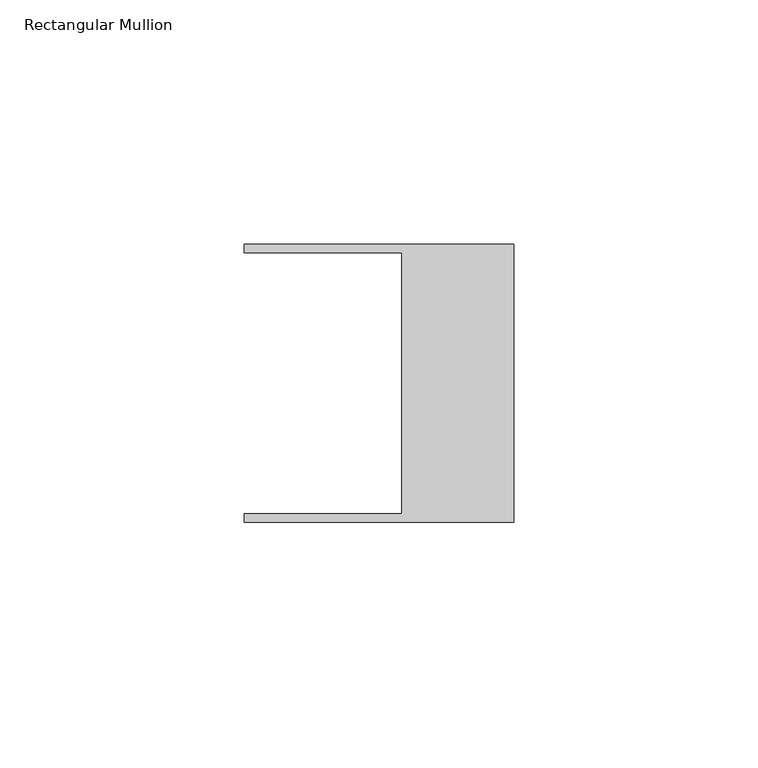
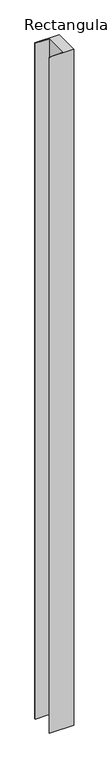
"""IFC4 building model written with IfcOpenShell, lengths in millimetres: member geometry, Rectangular Mullion."""

import ifcopenshell
import ifcopenshell.guid

model = None  # the IFC model being written
_history = None  # IfcOwnerHistory: only IFC2X3 demands one
_inside = {}  # id of a spatial element -> (the spatial element, [elements in it])
_under = {}  # id of a project, library or spatial element -> (it, [spatial elements below it])
_declared = {}  # id of a project -> (the project, [libraries it declares])
_typed = {}  # id of a type object -> (the type object, [elements of that type])
_made_of = {}  # id of a material, layer set ... -> (it, [elements and type objects made of it])


def new_model(schema):
    """Start an empty IFC model of exactly this schema.

    Asked for "IFC4X3", IfcOpenShell would pick the latest addendum, in which some entities
    have other attributes; the version numbers below select the first issue.
    IFC2X3 requires an IfcOwnerHistory on every rooted entity: one is made here for all.
    """
    global model, _history
    if schema == "IFC4X3":
        model = ifcopenshell.file(schema_version=(4, 3, 0, 0))
    else:
        model = ifcopenshell.file(schema=schema)
    _inside.clear()
    _under.clear()
    _declared.clear()
    _typed.clear()
    _made_of.clear()
    _history = None
    if model.schema == "IFC2X3":
        org = make("IfcOrganization", Name="unknown")
        user = make(
            "IfcPersonAndOrganization",
            ThePerson=make("IfcPerson", FamilyName="unknown"),
            TheOrganization=org,
        )
        app = make(
            "IfcApplication",
            ApplicationDeveloper=org,
            Version="unknown",
            ApplicationFullName="unknown",
            ApplicationIdentifier="unknown",
        )
        _history = make(
            "IfcOwnerHistory",
            OwningUser=user,
            OwningApplication=app,
            ChangeAction="ADDED",
            CreationDate=0,
        )
    return model


def make(cls, **values):
    """One entity of the class cls with the attributes given. An attribute that is None is left unset."""
    return model.create_entity(
        cls, **{name: value for name, value in values.items() if value is not None}
    )


def rooted(cls, **values):
    """An entity with a GlobalId (a new one), such as an element, a storey or a relation."""
    return make(cls, GlobalId=ifcopenshell.guid.new(), OwnerHistory=_history, **values)


def si_unit(unit_type, name, prefix=None):
    """IfcSIUnit, for example si_unit("LENGTHUNIT", "METRE", prefix="MILLI")."""
    return make("IfcSIUnit", UnitType=unit_type, Prefix=prefix, Name=name)


def assignment(units):
    """IfcUnitAssignment: the units of a project."""
    return None if units is None else make("IfcUnitAssignment", Units=units)


def point(xyz):
    """IfcCartesianPoint."""
    return None if xyz is None else make("IfcCartesianPoint", Coordinates=xyz)


def direction(xyz):
    """IfcDirection."""
    return None if xyz is None else make("IfcDirection", DirectionRatios=xyz)


def frame(location, z_axis=None, x_axis=None):
    """IfcAxis2Placement3D, a coordinate frame: its origin and axes. An axis left out is left unset."""
    return make(
        "IfcAxis2Placement3D",
        Location=point(location),
        Axis=direction(z_axis),
        RefDirection=direction(x_axis),
    )


def origin():
    """The frame at (0, 0, 0) with its axes left unset."""
    return frame((0.0, 0.0, 0.0))


def place(relative_to, where):
    """IfcLocalPlacement: puts the frame where relative to a parent placement (None: the world)."""
    return make(
        "IfcLocalPlacement", PlacementRelTo=relative_to, RelativePlacement=where
    )


def context(
    kind, dimensions, precision=None, world=None, true_north=None, identifier=None
):
    """IfcGeometricRepresentationContext, for example the 3D "Model" context."""
    return make(
        "IfcGeometricRepresentationContext",
        ContextIdentifier=identifier,
        ContextType=kind,
        CoordinateSpaceDimension=dimensions,
        Precision=precision,
        WorldCoordinateSystem=world,
        TrueNorth=true_north,
    )


def project(units=None, contexts=None):
    """IfcProject with its units and contexts."""
    return rooted(
        "IfcProject",
        Name="project",
        RepresentationContexts=contexts,
        UnitsInContext=assignment(units),
    )


def spatial(cls, under=None, at=None, **own):
    """A site, building, storey or space (cls), placed at a placement, below another one or the project."""
    s = rooted(cls, ObjectPlacement=at, **own)
    if under is not None:
        _under.setdefault(under.id(), (under, []))[1].append(s)
    return s


def polyline(points):
    """IfcPolyline through the points."""
    return make("IfcPolyline", Points=[point(p) for p in points])


def outline(outer, holes=None, kind="AREA"):
    """IfcArbitraryClosedProfileDef: a profile drawn as a closed curve; with holes, ...WithVoids."""
    if holes is None:
        return make("IfcArbitraryClosedProfileDef", ProfileType=kind, OuterCurve=outer)
    return make(
        "IfcArbitraryProfileDefWithVoids",
        ProfileType=kind,
        OuterCurve=outer,
        InnerCurves=holes,
    )


def extrude(swept, where, along, depth):
    """IfcExtrudedAreaSolid: the profile swept, set in the frame where, extruded along a direction by depth."""
    return make(
        "IfcExtrudedAreaSolid",
        SweptArea=swept,
        Position=where,
        ExtrudedDirection=direction(along),
        Depth=depth,
    )


def shape(context_of_items, identifier, shape_type, items):
    """IfcShapeRepresentation: the items that make up one representation, for example the "Body"."""
    return make(
        "IfcShapeRepresentation",
        ContextOfItems=context_of_items,
        RepresentationIdentifier=identifier,
        RepresentationType=shape_type,
        Items=items,
    )


def source(mapping_origin, context_of_items, identifier, shape_type, items):
    """IfcRepresentationMap: a shape defined once, which mapped items show again and again."""
    return make(
        "IfcRepresentationMap",
        MappingOrigin=mapping_origin,
        MappedRepresentation=shape(context_of_items, identifier, shape_type, items),
    )


def transform(
    local_origin,
    x_axis=None,
    y_axis=None,
    z_axis=None,
    scale=None,
    scale2=None,
    scale3=None,
    uniform=True,
):
    """IfcCartesianTransformationOperator3D, or its non-uniform kind. x_axis, y_axis, z_axis: its Axis1, 2, 3."""
    if uniform:
        return make(
            "IfcCartesianTransformationOperator3D",
            Axis1=direction(x_axis),
            Axis2=direction(y_axis),
            LocalOrigin=point(local_origin),
            Scale=scale,
            Axis3=direction(z_axis),
        )
    return make(
        "IfcCartesianTransformationOperator3DnonUniform",
        Axis1=direction(x_axis),
        Axis2=direction(y_axis),
        LocalOrigin=point(local_origin),
        Scale=scale,
        Axis3=direction(z_axis),
        Scale2=scale2,
        Scale3=scale3,
    )


def mapped(mapping_source, mapping_target):
    """IfcMappedItem: shows the shape of a source again, moved by a transform."""
    return make(
        "IfcMappedItem", MappingSource=mapping_source, MappingTarget=mapping_target
    )


def made_of(thing, what):
    """Note that an element or type object is made of a material, layer set ...; save() writes the relation."""
    if what is not None:
        _made_of.setdefault(what.id(), (what, []))[1].append(thing)
    return thing


def element(
    cls,
    number,
    at=None,
    inside=None,
    cuts=None,
    type_object=None,
    material=None,
    context=None,
    identifier="Body",
    shape_type=None,
    held_by="IfcProductDefinitionShape",
    body=None,
    shapes=None,
    **own,
):
    """One element of the class cls, such as IfcWall. Its Tag is "e" and its number.

    at: its placement. inside: the storey or other place that contains it. cuts: it is an
    opening in that element (IfcRelVoidsElement). A single representation is given by context,
    identifier, shape_type and body (its items); several are given by shapes. held_by: the class
    of the entity that holds the representations. save() writes the other relations.
    """
    e = rooted(cls, Tag="e%d" % number, ObjectPlacement=at, **own)
    if body is not None:
        shapes = [shape(context, identifier, shape_type, body)]
    if shapes is not None:
        e.Representation = make(held_by, Representations=shapes)
    if inside is not None:
        _inside.setdefault(inside.id(), (inside, []))[1].append(e)
    if cuts is not None:
        rooted(
            "IfcRelVoidsElement", RelatingBuildingElement=cuts, RelatedOpeningElement=e
        )
    if type_object is not None:
        _typed.setdefault(type_object.id(), (type_object, []))[1].append(e)
    return made_of(e, material)


def aggregate(whole, parts):
    """IfcRelAggregates: a whole, such as a stair, and the parts it consists of."""
    return rooted("IfcRelAggregates", RelatingObject=whole, RelatedObjects=parts)


def save(model, path):
    """Write the relations noted so far, then the file.

    IfcRelAggregates (storeys below a building ...), IfcRelContainedInSpatialStructure (elements
    in a storey), IfcRelDefinesByType, IfcRelAssociatesMaterial and IfcRelDeclares: one each for
    every whole, place, type object, material and project.
    """
    for whole, parts in _under.values():
        aggregate(whole, parts)
    for where, things in _inside.values():
        rooted(
            "IfcRelContainedInSpatialStructure",
            RelatedElements=things,
            RelatingStructure=where,
        )
    for kind, things in _typed.values():
        rooted("IfcRelDefinesByType", RelatedObjects=things, RelatingType=kind)
    for what, things in _made_of.values():
        rooted("IfcRelAssociatesMaterial", RelatedObjects=things, RelatingMaterial=what)
    for by, libraries in _declared.values():
        rooted("IfcRelDeclares", RelatingContext=by, RelatedDefinitions=libraries)
    model.write(path)


def rectangular_mullion_10befdcb(model_context):
    return source(origin(), model_context, "Body", "SweptSolid", [
        extrude(outline(polyline([(-55.118, 26.67), (-55.118, 28.448), (0.0, 28.448), (0.0, -28.448), (-55.118, -28.448), (-55.118, -26.67), (-22.86, -26.67), (-22.86, 26.67), (-55.118, 26.67)])), frame((0.0, 0.0, -1612.0010148), z_axis=(0.0, 0.0, 1.0), x_axis=(1.0, 0.0, 0.0)), (0.0, 0.0, 1.0), 1612.0010148),
    ])


if __name__ == "__main__":
    model = new_model("IFC4")
    model_context = context("Model", 3, world=origin())
    ifc_project = project(units=[si_unit("LENGTHUNIT", "METRE", prefix="MILLI")], contexts=[model_context])
    site = spatial("IfcSite", under=ifc_project)
    building = spatial("IfcBuilding", under=site)
    placement = place(None, origin())
    rectangular_mullion_shape = rectangular_mullion_10befdcb(model_context)
    element("IfcMember", 1, ObjectType="Rectangular Mullion", at=placement, inside=building, context=model_context, shape_type="MappedRepresentation", body=[
        mapped(rectangular_mullion_shape, transform((0.0, 0.0, 0.0), x_axis=(1.0, 0.0, 0.0), y_axis=(0.0, 1.0, 0.0), z_axis=(0.0, 0.0, 1.0))),
    ])
    save(model, "model.ifc")
